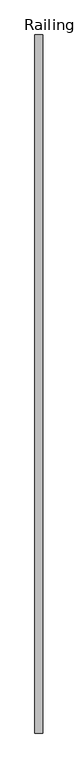
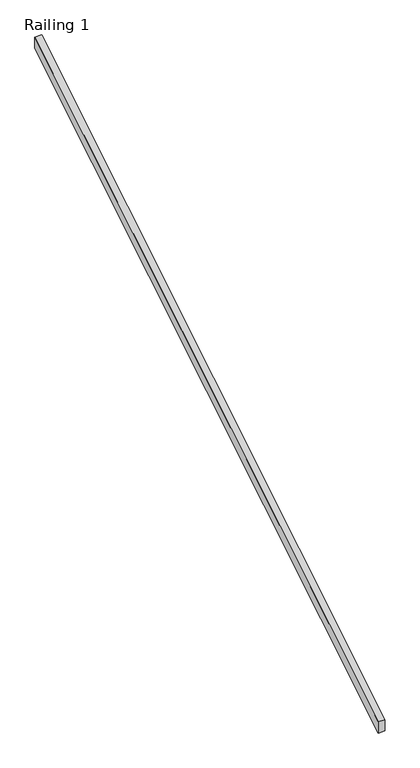
"""IFC4 building model written with IfcOpenShell, lengths in millimetres: railing geometry, Railing 1."""

from ifc_helpers import new_model, si_unit, frame, origin, place, context, project, spatial, polyline, outline, extrude, source, transform, mapped, element, save


def railing_1_d4aa98f8(model_context):
    return source(origin(), model_context, "Body", "SweptSolid", [
        extrude(outline(polyline([(185331.8596581, 1139.2458145), (185331.8596581, 1228.4891807), (189802.2596581, 3953.7679687), (189802.2596581, 3864.5246025), (185331.8596581, 1139.2458145)])), frame((210860.4603488, 0.0, 0.0), z_axis=(1.0, 0.0, 0.0), x_axis=(0.0, 1.0, 0.0)), (0.0, 0.0, 1.0), 50.8),
    ])


if __name__ == "__main__":
    model = new_model("IFC4")
    model_context = context("Model", 3, world=origin())
    ifc_project = project(units=[si_unit("LENGTHUNIT", "METRE", prefix="MILLI")], contexts=[model_context])
    site = spatial("IfcSite", under=ifc_project)
    building = spatial("IfcBuilding", under=site)
    placement = place(None, origin())
    railing_1_shape = railing_1_d4aa98f8(model_context)
    element("IfcRailing", 1, ObjectType="Railing 1", at=placement, inside=building, context=model_context, shape_type="MappedRepresentation", body=[
        mapped(railing_1_shape, transform((0.0, 0.0, 0.0), x_axis=(1.0, 0.0, 0.0), y_axis=(0.0, 1.0, 0.0), z_axis=(0.0, 0.0, 1.0))),
    ])
    save(model, "model.ifc")
